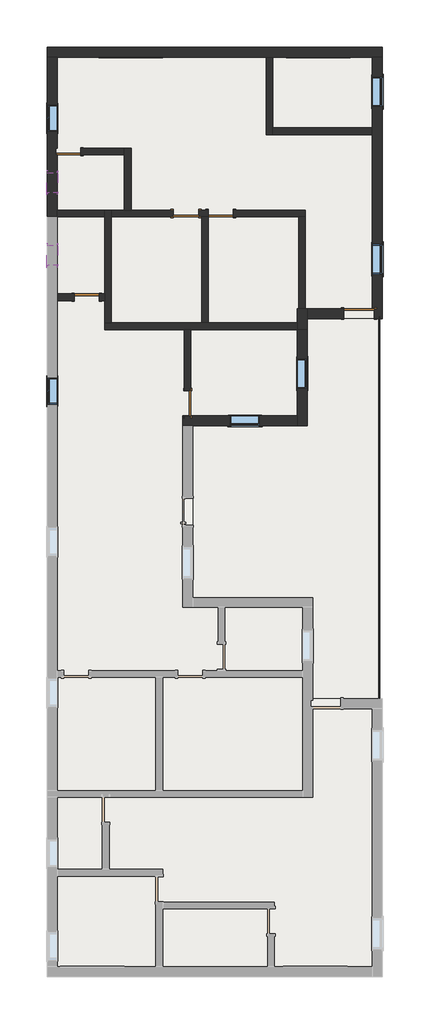
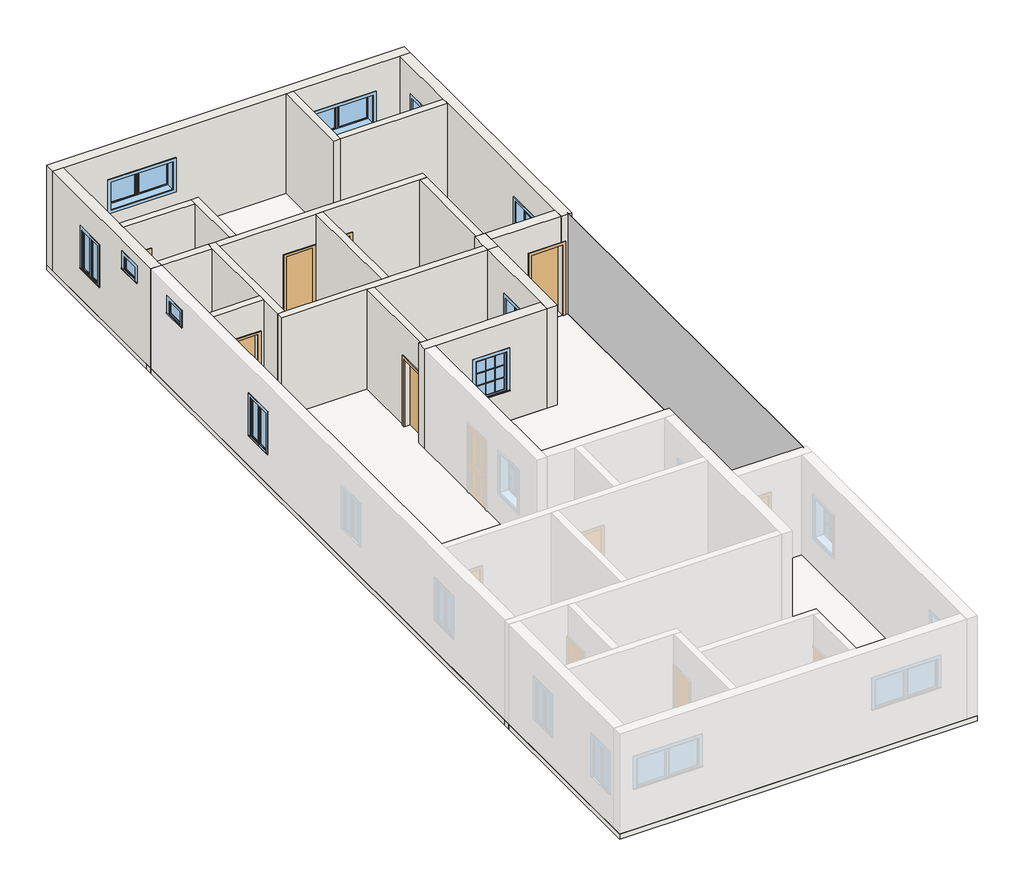
# One storey, part 2 of 2: 19 walls, 10 windows, 6 doors, 5 slabs, 1 plate.
"""IFC4 building model written with IfcOpenShell, lengths in millimetres."""

import ifcopenshell
import ifcopenshell.guid

model = None  # the IFC model being written
_history = None  # IfcOwnerHistory: only IFC2X3 demands one
_inside = {}  # id of a spatial element -> (the spatial element, [elements in it])
_under = {}  # id of a project, library or spatial element -> (it, [spatial elements below it])
_declared = {}  # id of a project -> (the project, [libraries it declares])
_typed = {}  # id of a type object -> (the type object, [elements of that type])
_made_of = {}  # id of a material, layer set ... -> (it, [elements and type objects made of it])


def new_model(schema):
    """Start an empty IFC model of exactly this schema.

    Asked for "IFC4X3", IfcOpenShell would pick the latest addendum, in which some entities
    have other attributes; the version numbers below select the first issue.
    IFC2X3 requires an IfcOwnerHistory on every rooted entity: one is made here for all.
    """
    global model, _history
    if schema == "IFC4X3":
        model = ifcopenshell.file(schema_version=(4, 3, 0, 0))
    else:
        model = ifcopenshell.file(schema=schema)
    _inside.clear()
    _under.clear()
    _declared.clear()
    _typed.clear()
    _made_of.clear()
    _history = None
    if model.schema == "IFC2X3":
        org = make("IfcOrganization", Name="unknown")
        user = make(
            "IfcPersonAndOrganization",
            ThePerson=make("IfcPerson", FamilyName="unknown"),
            TheOrganization=org,
        )
        app = make(
            "IfcApplication",
            ApplicationDeveloper=org,
            Version="unknown",
            ApplicationFullName="unknown",
            ApplicationIdentifier="unknown",
        )
        _history = make(
            "IfcOwnerHistory",
            OwningUser=user,
            OwningApplication=app,
            ChangeAction="ADDED",
            CreationDate=0,
        )
    return model


def make(cls, **values):
    """One entity of the class cls with the attributes given. An attribute that is None is left unset."""
    return model.create_entity(
        cls, **{name: value for name, value in values.items() if value is not None}
    )


def rooted(cls, **values):
    """An entity with a GlobalId (a new one), such as an element, a storey or a relation."""
    return make(cls, GlobalId=ifcopenshell.guid.new(), OwnerHistory=_history, **values)


def si_unit(unit_type, name, prefix=None):
    """IfcSIUnit, for example si_unit("LENGTHUNIT", "METRE", prefix="MILLI")."""
    return make("IfcSIUnit", UnitType=unit_type, Prefix=prefix, Name=name)


def assignment(units):
    """IfcUnitAssignment: the units of a project."""
    return None if units is None else make("IfcUnitAssignment", Units=units)


def point(xyz):
    """IfcCartesianPoint."""
    return None if xyz is None else make("IfcCartesianPoint", Coordinates=xyz)


def direction(xyz):
    """IfcDirection."""
    return None if xyz is None else make("IfcDirection", DirectionRatios=xyz)


def frame(location, z_axis=None, x_axis=None):
    """IfcAxis2Placement3D, a coordinate frame: its origin and axes. An axis left out is left unset."""
    return make(
        "IfcAxis2Placement3D",
        Location=point(location),
        Axis=direction(z_axis),
        RefDirection=direction(x_axis),
    )


def origin():
    """The frame at (0, 0, 0) with its axes left unset."""
    return frame((0.0, 0.0, 0.0))


def origin_with_axes():
    """The frame at (0, 0, 0) with the z axis (0, 0, 1) and the x axis (1, 0, 0) written out."""
    return frame((0.0, 0.0, 0.0), z_axis=(0.0, 0.0, 1.0), x_axis=(1.0, 0.0, 0.0))


def place(relative_to, where):
    """IfcLocalPlacement: puts the frame where relative to a parent placement (None: the world)."""
    return make(
        "IfcLocalPlacement", PlacementRelTo=relative_to, RelativePlacement=where
    )


def context(
    kind, dimensions, precision=None, world=None, true_north=None, identifier=None
):
    """IfcGeometricRepresentationContext, for example the 3D "Model" context."""
    return make(
        "IfcGeometricRepresentationContext",
        ContextIdentifier=identifier,
        ContextType=kind,
        CoordinateSpaceDimension=dimensions,
        Precision=precision,
        WorldCoordinateSystem=world,
        TrueNorth=true_north,
    )


def project(units=None, contexts=None):
    """IfcProject with its units and contexts."""
    return rooted(
        "IfcProject",
        Name="project",
        RepresentationContexts=contexts,
        UnitsInContext=assignment(units),
    )


def spatial(cls, under=None, at=None, **own):
    """A site, building, storey or space (cls), placed at a placement, below another one or the project."""
    s = rooted(cls, ObjectPlacement=at, **own)
    if under is not None:
        _under.setdefault(under.id(), (under, []))[1].append(s)
    return s


def polyline(points):
    """IfcPolyline through the points."""
    return make("IfcPolyline", Points=[point(p) for p in points])


def outline(outer, holes=None, kind="AREA"):
    """IfcArbitraryClosedProfileDef: a profile drawn as a closed curve; with holes, ...WithVoids."""
    if holes is None:
        return make("IfcArbitraryClosedProfileDef", ProfileType=kind, OuterCurve=outer)
    return make(
        "IfcArbitraryProfileDefWithVoids",
        ProfileType=kind,
        OuterCurve=outer,
        InnerCurves=holes,
    )


def extrude(swept, where, along, depth):
    """IfcExtrudedAreaSolid: the profile swept, set in the frame where, extruded along a direction by depth."""
    return make(
        "IfcExtrudedAreaSolid",
        SweptArea=swept,
        Position=where,
        ExtrudedDirection=direction(along),
        Depth=depth,
    )


def faces_of(points, faces, orient=None, outer=None):
    """IfcFace entities. A face is a list of loops; a loop is a list of indices into points, from 0.

    orient and outer hold one flag for each loop. By default every Orientation is true, the
    first loop of a face is its IfcFaceOuterBound and the others are IfcFaceBound.
    """
    made = []
    for i, loops in enumerate(faces):
        bounds = []
        for j, loop in enumerate(loops):
            is_outer = j == 0 if outer is None else outer[i][j]
            bounds.append(
                make(
                    "IfcFaceOuterBound" if is_outer else "IfcFaceBound",
                    Bound=make("IfcPolyLoop", Polygon=[points[k] for k in loop]),
                    Orientation=True if orient is None else orient[i][j],
                )
            )
        made.append(make("IfcFace", Bounds=bounds))
    return made


def faceted_brep(points, faces, orient=None, outer=None, voids=None):
    """IfcFacetedBrep: a solid bounded by flat faces; with voids (closed shells), ...WithVoids."""
    shared = [point(p) for p in points]
    hull = make("IfcClosedShell", CfsFaces=faces_of(shared, faces, orient, outer))
    if voids is None:
        return make("IfcFacetedBrep", Outer=hull)
    return make(
        "IfcFacetedBrepWithVoids",
        Outer=hull,
        Voids=[
            make(cls, CfsFaces=faces_of(shared, fs, o, b)) for cls, fs, o, b in voids
        ],
    )


def shape(context_of_items, identifier, shape_type, items):
    """IfcShapeRepresentation: the items that make up one representation, for example the "Body"."""
    return make(
        "IfcShapeRepresentation",
        ContextOfItems=context_of_items,
        RepresentationIdentifier=identifier,
        RepresentationType=shape_type,
        Items=items,
    )


def source(mapping_origin, context_of_items, identifier, shape_type, items):
    """IfcRepresentationMap: a shape defined once, which mapped items show again and again."""
    return make(
        "IfcRepresentationMap",
        MappingOrigin=mapping_origin,
        MappedRepresentation=shape(context_of_items, identifier, shape_type, items),
    )


def transform(
    local_origin,
    x_axis=None,
    y_axis=None,
    z_axis=None,
    scale=None,
    scale2=None,
    scale3=None,
    uniform=True,
):
    """IfcCartesianTransformationOperator3D, or its non-uniform kind. x_axis, y_axis, z_axis: its Axis1, 2, 3."""
    if uniform:
        return make(
            "IfcCartesianTransformationOperator3D",
            Axis1=direction(x_axis),
            Axis2=direction(y_axis),
            LocalOrigin=point(local_origin),
            Scale=scale,
            Axis3=direction(z_axis),
        )
    return make(
        "IfcCartesianTransformationOperator3DnonUniform",
        Axis1=direction(x_axis),
        Axis2=direction(y_axis),
        LocalOrigin=point(local_origin),
        Scale=scale,
        Axis3=direction(z_axis),
        Scale2=scale2,
        Scale3=scale3,
    )


def mapped(mapping_source, mapping_target):
    """IfcMappedItem: shows the shape of a source again, moved by a transform."""
    return make(
        "IfcMappedItem", MappingSource=mapping_source, MappingTarget=mapping_target
    )


def made_of(thing, what):
    """Note that an element or type object is made of a material, layer set ...; save() writes the relation."""
    if what is not None:
        _made_of.setdefault(what.id(), (what, []))[1].append(thing)
    return thing


def element(
    cls,
    number,
    at=None,
    inside=None,
    cuts=None,
    type_object=None,
    material=None,
    context=None,
    identifier="Body",
    shape_type=None,
    held_by="IfcProductDefinitionShape",
    body=None,
    shapes=None,
    **own,
):
    """One element of the class cls, such as IfcWall. Its Tag is "e" and its number.

    at: its placement. inside: the storey or other place that contains it. cuts: it is an
    opening in that element (IfcRelVoidsElement). A single representation is given by context,
    identifier, shape_type and body (its items); several are given by shapes. held_by: the class
    of the entity that holds the representations. save() writes the other relations.
    """
    e = rooted(cls, Tag="e%d" % number, ObjectPlacement=at, **own)
    if body is not None:
        shapes = [shape(context, identifier, shape_type, body)]
    if shapes is not None:
        e.Representation = make(held_by, Representations=shapes)
    if inside is not None:
        _inside.setdefault(inside.id(), (inside, []))[1].append(e)
    if cuts is not None:
        rooted(
            "IfcRelVoidsElement", RelatingBuildingElement=cuts, RelatedOpeningElement=e
        )
    if type_object is not None:
        _typed.setdefault(type_object.id(), (type_object, []))[1].append(e)
    return made_of(e, material)


def aggregate(whole, parts):
    """IfcRelAggregates: a whole, such as a stair, and the parts it consists of."""
    return rooted("IfcRelAggregates", RelatingObject=whole, RelatedObjects=parts)


def save(model, path):
    """Write the relations noted so far, then the file.

    IfcRelAggregates (storeys below a building ...), IfcRelContainedInSpatialStructure (elements
    in a storey), IfcRelDefinesByType, IfcRelAssociatesMaterial and IfcRelDeclares: one each for
    every whole, place, type object, material and project.
    """
    for whole, parts in _under.values():
        aggregate(whole, parts)
    for where, things in _inside.values():
        rooted(
            "IfcRelContainedInSpatialStructure",
            RelatedElements=things,
            RelatingStructure=where,
        )
    for kind, things in _typed.values():
        rooted("IfcRelDefinesByType", RelatedObjects=things, RelatingType=kind)
    for what, things in _made_of.values():
        rooted("IfcRelAssociatesMaterial", RelatedObjects=things, RelatingMaterial=what)
    for by, libraries in _declared.values():
        rooted("IfcRelDeclares", RelatingContext=by, RelatedDefinitions=libraries)
    model.write(path)


def m_single_flush_0762_x_2032mm_0c256fab(model_context):
    return source(origin(), model_context, "Body", "SweptSolid", [
        extrude(outline(polyline([(2108.0, -457.0), (0.0, -457.0), (0.0, -381.0), (2032.0, -381.0), (2032.0, 381.0), (0.0, 381.0), (0.0, 457.0), (2108.0, 457.0), (2108.0, -457.0)])), frame((0.0, 100.0, 0.0), z_axis=(0.0, 1.0, 0.0), x_axis=(0.0, 0.0, 1.0)), (0.0, 0.0, 1.0), 25.0),
        extrude(outline(polyline([(2108.0, 457.0), (2108.0, -457.0), (0.0, -457.0), (0.0, -381.0), (2032.0, -381.0), (2032.0, 381.0), (0.0, 381.0), (0.0, 457.0), (2108.0, 457.0)])), frame((0.0, -125.0, 0.0), z_axis=(0.0, 1.0, 0.0), x_axis=(0.0, 0.0, 1.0)), (0.0, 0.0, 1.0), 25.0),
        extrude(outline(polyline([(381.0, 49.0), (-381.0, 49.0), (-381.0, 100.0), (381.0, 100.0), (381.0, 49.0)])), origin_with_axes(), (0.0, 0.0, 1.0), 2032.0),
    ])


def m_single_flush_0915_x_2134mm_9cebaac8(model_context):
    return source(origin(), model_context, "Body", "SweptSolid", [
        extrude(outline(polyline([(2210.0, -533.5), (0.0, -533.5), (0.0, -457.5), (2134.0, -457.5), (2134.0, 457.5), (0.0, 457.5), (0.0, 533.5), (2210.0, 533.5), (2210.0, -533.5)])), frame((0.0, 150.0, 0.0), z_axis=(0.0, 1.0, 0.0), x_axis=(0.0, 0.0, 1.0)), (0.0, 0.0, 1.0), 25.0),
        extrude(outline(polyline([(2210.0, 533.5), (2210.0, -533.5), (0.0, -533.5), (0.0, -457.5), (2134.0, -457.5), (2134.0, 457.5), (0.0, 457.5), (0.0, 533.5), (2210.0, 533.5)])), frame((0.0, -175.0, 0.0), z_axis=(0.0, 1.0, 0.0), x_axis=(0.0, 0.0, 1.0)), (0.0, 0.0, 1.0), 25.0),
        extrude(outline(polyline([(457.5, 99.0), (-457.5, 99.0), (-457.5, 150.0), (457.5, 150.0), (457.5, 99.0)])), origin_with_axes(), (0.0, 0.0, 1.0), 2134.0),
    ])


def system_panel_glazed_c7ff2a38(model_context):
    return source(origin(), model_context, "Body", "SweptSolid", [
        extrude(outline(polyline([(5832.55, 24.5), (-5832.55, 24.5), (-5832.55, 49.5), (5832.55, 49.5), (5832.55, 24.5)])), origin_with_axes(), (0.0, 0.0, 1.0), 3000.0),
    ])


def window_05c7c462(model_context):
    return source(origin(), model_context, "Body", "SweptSolid", [
        extrude(outline(polyline([(-527.05, 175.4), (527.05, 175.4), (527.05, 150.0), (-527.05, 150.0), (-527.05, 175.4)])), frame((0.0, 0.0, 914.4), z_axis=(0.0, 0.0, 1.0), x_axis=(1.0, 0.0, 0.0)), (0.0, 0.0, 1.0), 19.05),
        extrude(outline(polyline([(2114.55, -438.15), (2114.55, 438.15), (933.45, 438.15), (933.45, 527.05), (2203.45, 527.05), (2203.45, -527.05), (933.45, -527.05), (933.45, -438.15), (2114.55, -438.15)])), frame((0.0, 150.0, 0.0), z_axis=(0.0, 1.0, 0.0), x_axis=(0.0, 0.0, 1.0)), (0.0, 0.0, 1.0), 12.7),
        extrude(outline(polyline([(143.9333333, 115.075), (393.7, 115.075), (393.7, 102.375), (143.9333333, 102.375), (143.9333333, 115.075)])), frame((0.0, 0.0, 1718.7333333), z_axis=(0.0, 0.0, 1.0), x_axis=(1.0, 0.0, 0.0)), (0.0, 0.0, 1.0), 351.3666667),
        extrude(outline(polyline([(-124.8833333, 115.075), (124.8833333, 115.075), (124.8833333, 102.375), (-124.8833333, 102.375), (-124.8833333, 115.075)])), frame((0.0, 0.0, 1718.7333333), z_axis=(0.0, 0.0, 1.0), x_axis=(1.0, 0.0, 0.0)), (0.0, 0.0, 1.0), 351.3666667),
        extrude(outline(polyline([(-393.7, 115.075), (-143.9333333, 115.075), (-143.9333333, 102.375), (-393.7, 102.375), (-393.7, 115.075)])), frame((0.0, 0.0, 1718.7333333), z_axis=(0.0, 0.0, 1.0), x_axis=(1.0, 0.0, 0.0)), (0.0, 0.0, 1.0), 351.3666667),
        extrude(outline(polyline([(-393.7, 115.075), (-143.9333333, 115.075), (-143.9333333, 102.375), (-393.7, 102.375), (-393.7, 115.075)])), frame((0.0, 0.0, 1348.3166667), z_axis=(0.0, 0.0, 1.0), x_axis=(1.0, 0.0, 0.0)), (0.0, 0.0, 1.0), 351.3666667),
        extrude(outline(polyline([(-124.8833333, 115.075), (124.8833333, 115.075), (124.8833333, 102.375), (-124.8833333, 102.375), (-124.8833333, 115.075)])), frame((0.0, 0.0, 1348.3166667), z_axis=(0.0, 0.0, 1.0), x_axis=(1.0, 0.0, 0.0)), (0.0, 0.0, 1.0), 351.3666667),
        extrude(outline(polyline([(143.9333333, 115.075), (393.7, 115.075), (393.7, 102.375), (143.9333333, 102.375), (143.9333333, 115.075)])), frame((0.0, 0.0, 1348.3166667), z_axis=(0.0, 0.0, 1.0), x_axis=(1.0, 0.0, 0.0)), (0.0, 0.0, 1.0), 351.3666667),
        extrude(outline(polyline([(143.9333333, 115.075), (393.7, 115.075), (393.7, 102.375), (143.9333333, 102.375), (143.9333333, 115.075)])), frame((0.0, 0.0, 977.9), z_axis=(0.0, 0.0, 1.0), x_axis=(1.0, 0.0, 0.0)), (0.0, 0.0, 1.0), 351.3666667),
        extrude(outline(polyline([(-124.8833333, 115.075), (124.8833333, 115.075), (124.8833333, 102.375), (-124.8833333, 102.375), (-124.8833333, 115.075)])), frame((0.0, 0.0, 977.9), z_axis=(0.0, 0.0, 1.0), x_axis=(1.0, 0.0, 0.0)), (0.0, 0.0, 1.0), 351.3666667),
        extrude(outline(polyline([(-393.7, 115.075), (-143.9333333, 115.075), (-143.9333333, 102.375), (-393.7, 102.375), (-393.7, 115.075)])), frame((0.0, 0.0, 977.9), z_axis=(0.0, 0.0, 1.0), x_axis=(1.0, 0.0, 0.0)), (0.0, 0.0, 1.0), 351.3666667),
        extrude(outline(polyline([(2190.75, 514.35), (2190.75, -514.35), (857.25, -514.35), (857.25, 514.35), (2190.75, 514.35)]), holes=[polyline([(2101.85, 425.45), (946.15, 425.45), (946.15, -425.45), (2101.85, -425.45), (2101.85, 425.45)])]), frame((0.0, -169.05, 0.0), z_axis=(0.0, 1.0, 0.0), x_axis=(0.0, 0.0, 1.0)), (0.0, 0.0, 1.0), 19.05),
        extrude(outline(polyline([(2114.55, -438.15), (933.45, -438.15), (933.45, 438.15), (2114.55, 438.15), (2114.55, -438.15)]), holes=[polyline([(2070.1, -143.9333333), (1718.7333333, -143.9333333), (1718.7333333, -393.7), (2070.1, -393.7), (2070.1, -143.9333333)]), polyline([(1699.6833333, -143.9333333), (1348.3166667, -143.9333333), (1348.3166667, -393.7), (1699.6833333, -393.7), (1699.6833333, -143.9333333)]), polyline([(1329.2666667, -143.9333333), (977.9, -143.9333333), (977.9, -393.7), (1329.2666667, -393.7), (1329.2666667, -143.9333333)]), polyline([(2070.1, 124.8833333), (1718.7333333, 124.8833333), (1718.7333333, -124.8833333), (2070.1, -124.8833333), (2070.1, 124.8833333)]), polyline([(1699.6833333, 124.8833333), (1348.3166667, 124.8833333), (1348.3166667, -124.8833333), (1699.6833333, -124.8833333), (1699.6833333, 124.8833333)]), polyline([(1329.2666667, 124.8833333), (977.9, 124.8833333), (977.9, -124.8833333), (1329.2666667, -124.8833333), (1329.2666667, 124.8833333)]), polyline([(2070.1, 393.7), (1718.7333333, 393.7), (1718.7333333, 143.9333333), (2070.1, 143.9333333), (2070.1, 393.7)]), polyline([(1699.6833333, 393.7), (1348.3166667, 393.7), (1348.3166667, 143.9333333), (1699.6833333, 143.9333333), (1699.6833333, 393.7)]), polyline([(1329.2666667, 393.7), (977.9, 393.7), (977.9, 143.9333333), (1329.2666667, 143.9333333), (1329.2666667, 393.7)])]), frame((0.0, 86.5, 0.0), z_axis=(0.0, 1.0, 0.0), x_axis=(0.0, 0.0, 1.0)), (0.0, 0.0, 1.0), 44.45),
        extrude(outline(polyline([(2133.6, -457.2), (914.4, -457.2), (914.4, 457.2), (2133.6, 457.2), (2133.6, -457.2)]), holes=[polyline([(2101.85, -425.45), (2101.85, 425.45), (946.15, 425.45), (946.15, -425.45), (2101.85, -425.45)])]), frame((0.0, -150.0, 0.0), z_axis=(0.0, 1.0, 0.0), x_axis=(0.0, 0.0, 1.0)), (0.0, 0.0, 1.0), 236.5),
        extrude(outline(polyline([(2133.6, 457.2), (2133.6, -457.2), (914.4, -457.2), (914.4, 457.2), (2133.6, 457.2)]), holes=[polyline([(2114.55, 438.15), (933.45, 438.15), (933.45, -438.15), (2114.55, -438.15), (2114.55, 438.15)])]), frame((0.0, 86.5, 0.0), z_axis=(0.0, 1.0, 0.0), x_axis=(0.0, 0.0, 1.0)), (0.0, 0.0, 1.0), 63.5),
    ])


def window_74d245a8(model_context):
    return source(origin(), model_context, "Body", "SweptSolid", [
        extrude(outline(polyline([(63.5, 134.125), (342.9, 134.125), (342.9, 121.425), (63.5, 121.425), (63.5, 134.125)])), frame((0.0, 0.0, 977.9), z_axis=(0.0, 0.0, 1.0), x_axis=(1.0, 0.0, 0.0)), (0.0, 0.0, 1.0), 1092.2),
        extrude(outline(polyline([(2114.55, 19.05), (933.45, 19.05), (933.45, 387.35), (2114.55, 387.35), (2114.55, 19.05)]), holes=[polyline([(2070.1, 63.5), (2070.1, 342.9), (977.9, 342.9), (977.9, 63.5), (2070.1, 63.5)])]), frame((0.0, 105.55, 0.0), z_axis=(0.0, 1.0, 0.0), x_axis=(0.0, 0.0, 1.0)), (0.0, 0.0, 1.0), 44.45),
        extrude(outline(polyline([(19.05, 105.55), (-19.05, 105.55), (-19.05, 169.05), (19.05, 169.05), (19.05, 105.55)])), frame((0.0, 0.0, 933.45), z_axis=(0.0, 0.0, 1.0), x_axis=(1.0, 0.0, 0.0)), (0.0, 0.0, 1.0), 1181.1),
        extrude(outline(polyline([(-476.25, 194.45), (476.25, 194.45), (476.25, 169.05), (-476.25, 169.05), (-476.25, 194.45)])), frame((0.0, 0.0, 914.4), z_axis=(0.0, 0.0, 1.0), x_axis=(1.0, 0.0, 0.0)), (0.0, 0.0, 1.0), 19.05),
        extrude(outline(polyline([(2114.55, -387.35), (2114.55, 387.35), (933.45, 387.35), (933.45, 476.25), (2203.45, 476.25), (2203.45, -476.25), (933.45, -476.25), (933.45, -387.35), (2114.55, -387.35)])), frame((0.0, 169.05, 0.0), z_axis=(0.0, 1.0, 0.0), x_axis=(0.0, 0.0, 1.0)), (0.0, 0.0, 1.0), 12.7),
        extrude(outline(polyline([(2190.75, 463.55), (2190.75, -463.55), (857.25, -463.55), (857.25, 463.55), (2190.75, 463.55)]), holes=[polyline([(2101.85, 374.65), (946.15, 374.65), (946.15, -374.65), (2101.85, -374.65), (2101.85, 374.65)])]), frame((0.0, -150.0, 0.0), z_axis=(0.0, 1.0, 0.0), x_axis=(0.0, 0.0, 1.0)), (0.0, 0.0, 1.0), 19.05),
        extrude(outline(polyline([(-63.5, 121.425), (-342.9, 121.425), (-342.9, 134.125), (-63.5, 134.125), (-63.5, 121.425)])), frame((0.0, 0.0, 977.9), z_axis=(0.0, 0.0, 1.0), x_axis=(1.0, 0.0, 0.0)), (0.0, 0.0, 1.0), 1092.2),
        extrude(outline(polyline([(2114.55, -387.35), (933.45, -387.35), (933.45, -19.05), (2114.55, -19.05), (2114.55, -387.35)]), holes=[polyline([(2070.1, -342.9), (2070.1, -63.5), (977.9, -63.5), (977.9, -342.9), (2070.1, -342.9)])]), frame((0.0, 105.55, 0.0), z_axis=(0.0, 1.0, 0.0), x_axis=(0.0, 0.0, 1.0)), (0.0, 0.0, 1.0), 44.45),
        extrude(outline(polyline([(2133.6, -406.4), (914.4, -406.4), (914.4, 406.4), (2133.6, 406.4), (2133.6, -406.4)]), holes=[polyline([(2101.85, -374.65), (2101.85, 374.65), (946.15, 374.65), (946.15, -374.65), (2101.85, -374.65)])]), frame((0.0, -130.95, 0.0), z_axis=(0.0, 1.0, 0.0), x_axis=(0.0, 0.0, 1.0)), (0.0, 0.0, 1.0), 236.5),
        extrude(outline(polyline([(2133.6, 406.4), (2133.6, -406.4), (914.4, -406.4), (914.4, 406.4), (2133.6, 406.4)]), holes=[polyline([(2114.55, 387.35), (933.45, 387.35), (933.45, -387.35), (2114.55, -387.35), (2114.55, 387.35)])]), frame((0.0, 105.55, 0.0), z_axis=(0.0, 1.0, 0.0), x_axis=(0.0, 0.0, 1.0)), (0.0, 0.0, 1.0), 63.5),
    ])


def window_dad8421a(model_context):
    return source(origin(), model_context, "Body", "SweptSolid", [
        extrude(outline(polyline([(63.5, 134.125), (850.9, 134.125), (850.9, 121.425), (63.5, 121.425), (63.5, 134.125)])), frame((0.0, 0.0, 1282.7), z_axis=(0.0, 0.0, 1.0), x_axis=(1.0, 0.0, 0.0)), (0.0, 0.0, 1.0), 787.4),
        extrude(outline(polyline([(2114.55, 19.05), (1238.25, 19.05), (1238.25, 895.35), (2114.55, 895.35), (2114.55, 19.05)]), holes=[polyline([(2070.1, 63.5), (2070.1, 850.9), (1282.7, 850.9), (1282.7, 63.5), (2070.1, 63.5)])]), frame((0.0, 105.55, 0.0), z_axis=(0.0, 1.0, 0.0), x_axis=(0.0, 0.0, 1.0)), (0.0, 0.0, 1.0), 44.45),
        extrude(outline(polyline([(19.05, 105.55), (-19.05, 105.55), (-19.05, 169.05), (19.05, 169.05), (19.05, 105.55)])), frame((0.0, 0.0, 1238.25), z_axis=(0.0, 0.0, 1.0), x_axis=(1.0, 0.0, 0.0)), (0.0, 0.0, 1.0), 876.3),
        extrude(outline(polyline([(-984.25, 194.45), (984.25, 194.45), (984.25, 169.05), (-984.25, 169.05), (-984.25, 194.45)])), frame((0.0, 0.0, 1219.2), z_axis=(0.0, 0.0, 1.0), x_axis=(1.0, 0.0, 0.0)), (0.0, 0.0, 1.0), 19.05),
        extrude(outline(polyline([(2114.55, -895.35), (2114.55, 895.35), (1238.25, 895.35), (1238.25, 984.25), (2203.45, 984.25), (2203.45, -984.25), (1238.25, -984.25), (1238.25, -895.35), (2114.55, -895.35)])), frame((0.0, 169.05, 0.0), z_axis=(0.0, 1.0, 0.0), x_axis=(0.0, 0.0, 1.0)), (0.0, 0.0, 1.0), 12.7),
        extrude(outline(polyline([(2190.75, 971.55), (2190.75, -971.55), (1162.05, -971.55), (1162.05, 971.55), (2190.75, 971.55)]), holes=[polyline([(2101.85, 882.65), (1250.95, 882.65), (1250.95, -882.65), (2101.85, -882.65), (2101.85, 882.65)])]), frame((0.0, -150.0, 0.0), z_axis=(0.0, 1.0, 0.0), x_axis=(0.0, 0.0, 1.0)), (0.0, 0.0, 1.0), 19.05),
        extrude(outline(polyline([(-63.5, 121.425), (-850.9, 121.425), (-850.9, 134.125), (-63.5, 134.125), (-63.5, 121.425)])), frame((0.0, 0.0, 1282.7), z_axis=(0.0, 0.0, 1.0), x_axis=(1.0, 0.0, 0.0)), (0.0, 0.0, 1.0), 787.4),
        extrude(outline(polyline([(2114.55, -895.35), (1238.25, -895.35), (1238.25, -19.05), (2114.55, -19.05), (2114.55, -895.35)]), holes=[polyline([(2070.1, -850.9), (2070.1, -63.5), (1282.7, -63.5), (1282.7, -850.9), (2070.1, -850.9)])]), frame((0.0, 105.55, 0.0), z_axis=(0.0, 1.0, 0.0), x_axis=(0.0, 0.0, 1.0)), (0.0, 0.0, 1.0), 44.45),
        extrude(outline(polyline([(2133.6, -914.4), (1219.2, -914.4), (1219.2, 914.4), (2133.6, 914.4), (2133.6, -914.4)]), holes=[polyline([(2101.85, -882.65), (2101.85, 882.65), (1250.95, 882.65), (1250.95, -882.65), (2101.85, -882.65)])]), frame((0.0, -130.95, 0.0), z_axis=(0.0, 1.0, 0.0), x_axis=(0.0, 0.0, 1.0)), (0.0, 0.0, 1.0), 236.5),
        extrude(outline(polyline([(2133.6, 914.4), (2133.6, -914.4), (1219.2, -914.4), (1219.2, 914.4), (2133.6, 914.4)]), holes=[polyline([(2114.55, 895.35), (1238.25, 895.35), (1238.25, -895.35), (2114.55, -895.35), (2114.55, 895.35)])]), frame((0.0, 105.55, 0.0), z_axis=(0.0, 1.0, 0.0), x_axis=(0.0, 0.0, 1.0)), (0.0, 0.0, 1.0), 63.5),
    ])


def window_4d66f070(model_context):
    return source(origin(), model_context, "Body", "SweptSolid", [
        extrude(outline(polyline([(-412.75, 175.4), (336.55, 175.4), (336.55, 150.0), (-412.75, 150.0), (-412.75, 175.4)])), frame((0.0, 0.0, 2159.0), z_axis=(0.0, 0.0, 1.0), x_axis=(1.0, 0.0, 0.0)), (0.0, 0.0, 1.0), 19.05),
        extrude(outline(polyline([(2597.15, -323.85), (2597.15, 247.65), (2178.05, 247.65), (2178.05, 336.55), (2686.05, 336.55), (2686.05, -412.75), (2178.05, -412.75), (2178.05, -323.85), (2597.15, -323.85)])), frame((0.0, 150.0, 0.0), z_axis=(0.0, 1.0, 0.0), x_axis=(0.0, 0.0, 1.0)), (0.0, 0.0, 1.0), 12.7),
        extrude(outline(polyline([(2673.35, 323.85), (2673.35, -400.05), (2101.85, -400.05), (2101.85, 323.85), (2673.35, 323.85)]), holes=[polyline([(2584.45, 234.95), (2190.75, 234.95), (2190.75, -311.15), (2584.45, -311.15), (2584.45, 234.95)])]), frame((0.0, -169.05, 0.0), z_axis=(0.0, 1.0, 0.0), x_axis=(0.0, 0.0, 1.0)), (0.0, 0.0, 1.0), 19.05),
        extrude(outline(polyline([(203.2, 102.375), (-279.4, 102.375), (-279.4, 115.075), (203.2, 115.075), (203.2, 102.375)])), frame((0.0, 0.0, 2222.5), z_axis=(0.0, 0.0, 1.0), x_axis=(1.0, 0.0, 0.0)), (0.0, 0.0, 1.0), 330.2),
        extrude(outline(polyline([(2597.15, -323.85), (2178.05, -323.85), (2178.05, 247.65), (2597.15, 247.65), (2597.15, -323.85)]), holes=[polyline([(2552.7, -279.4), (2552.7, 203.2), (2222.5, 203.2), (2222.5, -279.4), (2552.7, -279.4)])]), frame((0.0, 86.5, 0.0), z_axis=(0.0, 1.0, 0.0), x_axis=(0.0, 0.0, 1.0)), (0.0, 0.0, 1.0), 44.45),
        extrude(outline(polyline([(2616.2, -342.9), (2159.0, -342.9), (2159.0, 266.7), (2616.2, 266.7), (2616.2, -342.9)]), holes=[polyline([(2584.45, -311.15), (2584.45, 234.95), (2190.75, 234.95), (2190.75, -311.15), (2584.45, -311.15)])]), frame((0.0, -150.0, 0.0), z_axis=(0.0, 1.0, 0.0), x_axis=(0.0, 0.0, 1.0)), (0.0, 0.0, 1.0), 236.5),
        extrude(outline(polyline([(2616.2, 266.7), (2616.2, -342.9), (2159.0, -342.9), (2159.0, 266.7), (2616.2, 266.7)]), holes=[polyline([(2597.15, 247.65), (2178.05, 247.65), (2178.05, -323.85), (2597.15, -323.85), (2597.15, 247.65)])]), frame((0.0, 86.5, 0.0), z_axis=(0.0, 1.0, 0.0), x_axis=(0.0, 0.0, 1.0)), (0.0, 0.0, 1.0), 63.5),
    ])


model = new_model("IFC4")

# Units and contexts
model_context = context("Model", 3, world=origin())
ifc_project = project(units=[si_unit("LENGTHUNIT", "METRE", prefix="MILLI")], contexts=[model_context])

# Site, building, storey
site = spatial("IfcSite", under=ifc_project)
building = spatial("IfcBuilding", under=site)
storey = spatial("IfcBuildingStorey", under=building, Elevation=21000.0)

# Doors
placement = place(None, origin())
m_single_flush_0762_x_2032mm_shape = m_single_flush_0762_x_2032mm_0c256fab(model_context)
element("IfcDoor", 1, ObjectType="M_Single-Flush : 0762 x 2032mm", at=placement, inside=storey, context=model_context, shape_type="MappedRepresentation", body=[
    mapped(m_single_flush_0762_x_2032mm_shape, transform((-24236.876071, 6775.8697374, 21000.0), x_axis=(-1.0, 0.0, 0.0), y_axis=(0.0, -1.0, 0.0), z_axis=(0.0, 0.0, 1.0))),
])
element("IfcDoor", 2, ObjectType="M_Single-Flush : 0762 x 2032mm", at=placement, inside=storey, context=model_context, shape_type="MappedRepresentation", body=[
    mapped(m_single_flush_0762_x_2032mm_shape, transform((-23174.876071, 6775.8697374, 21000.0), x_axis=(-1.0, 0.0, 0.0), y_axis=(0.0, -1.0, 0.0), z_axis=(0.0, 0.0, 1.0))),
])
element("IfcDoor", 3, ObjectType="M_Single-Flush : 0762 x 2032mm", at=placement, inside=storey, context=model_context, shape_type="MappedRepresentation", body=[
    mapped(m_single_flush_0762_x_2032mm_shape, transform((-24184.626071, 996.7697374, 21000.0), x_axis=(0.0, -1.0, 0.0), y_axis=(1.0, 0.0, 0.0), z_axis=(0.0, 0.0, 1.0))),
])
element("IfcDoor", 4, ObjectType="M_Single-Flush : 0762 x 2032mm", at=placement, inside=storey, context=model_context, shape_type="MappedRepresentation", body=[
    mapped(m_single_flush_0762_x_2032mm_shape, transform((-27261.5981876, 4227.4697374, 21000.0), x_axis=(1.0, 0.0, 0.0), y_axis=(0.0, 1.0, 0.0), z_axis=(0.0, 0.0, 1.0))),
])
element("IfcDoor", 5, ObjectType="M_Single-Flush : 0762 x 2032mm", at=placement, inside=storey, context=model_context, shape_type="MappedRepresentation", body=[
    mapped(m_single_flush_0762_x_2032mm_shape, transform((-27821.926071, 8653.7642039, 21000.0), x_axis=(-1.0, 0.0, 0.0), y_axis=(0.0, -1.0, 0.0), z_axis=(0.0, 0.0, 1.0))),
])
m_single_flush_0915_x_2134mm_shape = m_single_flush_0915_x_2134mm_9cebaac8(model_context)
element("IfcDoor", 6, ObjectType="M_Single-Flush : 0915 x 2134mm", at=placement, inside=storey, context=model_context, shape_type="MappedRepresentation", body=[
    mapped(m_single_flush_0915_x_2134mm_shape, transform((-18973.826071, 3727.4697374, 21000.0), x_axis=(1.0, 0.0, 0.0), y_axis=(0.0, 1.0, 0.0), z_axis=(0.0, 0.0, 1.0))),
])

# Plate
system_panel_glazed_shape = system_panel_glazed_c7ff2a38(model_context)
element("IfcPlate", 7, ObjectType="System Panel : Glazed", at=placement, inside=storey, context=model_context, shape_type="MappedRepresentation", body=[
    mapped(system_panel_glazed_shape, transform((-18316.326071, -2205.0802626, 21000.0), x_axis=(0.0, 1.0, 0.0), y_axis=(-1.0, 0.0, 0.0), z_axis=(0.0, 0.0, 1.0))),
])

# Slabs
element("IfcSlab", 8, ObjectType="Generic 150mm", at=placement, inside=storey, context=model_context, shape_type="SweptSolid", body=[
    extrude(outline(polyline([(-18266.326071, 11826.8697374), (-18266.326071, 3577.4697374), (-20552.826071, 3577.4697374), (-20552.826071, 3243.2697374), (-26708.926071, 3243.2697374), (-26708.926071, 6675.8697374), (-28452.926071, 6675.8697374), (-28452.926071, 11826.8697374), (-18266.326071, 11826.8697374)])), frame((0.0, 0.0, 20850.0), z_axis=(0.0, 0.0, 1.0), x_axis=(1.0, 0.0, 0.0)), (0.0, 0.0, 1.0), 150.0),
])
element("IfcSlab", 9, ObjectType="Generic 150mm", at=placement, inside=storey, context=model_context, shape_type="SweptSolid", body=[
    extrude(outline(polyline([(-18266.326071, 11826.8697374), (-18266.326071, 3577.4697374), (-20552.826071, 3577.4697374), (-20552.826071, 3243.2697374), (-26708.926071, 3243.2697374), (-26708.926071, 6675.8697374), (-28452.926071, 6675.8697374), (-28452.926071, 11826.8697374), (-18266.326071, 11826.8697374)])), frame((0.0, 0.0, 20850.0), z_axis=(0.0, 0.0, 1.0), x_axis=(1.0, 0.0, 0.0)), (0.0, 0.0, 1.0), 150.0),
])
element("IfcSlab", 10, ObjectType="Generic 150mm", at=placement, inside=storey, context=model_context, shape_type="SweptSolid", body=[
    extrude(outline(polyline([(-28452.926071, 6875.8697374), (-26508.926071, 6875.8697374), (-26508.926071, 3443.2697374), (-20552.826071, 3443.2697374), (-20552.826071, 314.9697374), (-24034.626071, 314.9697374), (-24034.626071, -4908.4302626), (-20387.926071, -4908.4302626), (-20387.926071, -10978.2302626), (-28452.926071, -10978.2302626), (-28452.926071, 6875.8697374)])), frame((0.0, 0.0, 20850.0), z_axis=(0.0, 0.0, 1.0), x_axis=(1.0, 0.0, 0.0)), (0.0, 0.0, 1.0), 150.0),
])
element("IfcSlab", 11, ObjectType="Generic 150mm", at=placement, inside=storey, context=model_context, shape_type="SweptSolid", body=[
    extrude(outline(polyline([(-18266.326071, -7987.6302626), (-18266.326071, -16438.2302626), (-28452.926071, -16438.2302626), (-28452.926071, -10778.2302626), (-20687.926071, -10778.2302626), (-20687.926071, -7987.6302626), (-18266.326071, -7987.6302626)])), frame((0.0, 0.0, 20850.0), z_axis=(0.0, 0.0, 1.0), x_axis=(1.0, 0.0, 0.0)), (0.0, 0.0, 1.0), 150.0),
])
element("IfcSlab", 12, ObjectType="Generic 150mm", at=placement, inside=storey, context=model_context, shape_type="SweptSolid", body=[
    extrude(outline(polyline([(-18391.826071, 3577.4697374), (-18391.826071, -7987.6302626), (-20387.926071, -7987.6302626), (-20387.926071, -4908.4302626), (-24034.626071, -4908.4302626), (-24034.626071, 314.9697374), (-20552.826071, 314.9697374), (-20552.826071, 3577.4697374), (-18391.826071, 3577.4697374)])), frame((0.0, 0.0, 20850.0), z_axis=(0.0, 0.0, 1.0), x_axis=(1.0, 0.0, 0.0)), (0.0, 0.0, 1.0), 150.0),
])

# Walls
element("IfcWall", 13, ObjectType="Generic - 200mm", at=placement, inside=storey, context=model_context, shape_type="Brep", body=[
    faceted_brep([(-20852.826071, 3443.2697374, 21000.0), (-23555.876071, 3443.2697374, 21000.0), (-23755.876071, 3443.2697374, 21000.0), (-26508.926071, 3443.2697374, 21000.0), (-26708.926071, 3443.2697374, 21000.0), (-26708.926071, 3443.2697374, 24000.0), (-26508.926071, 3443.2697374, 24000.0), (-23755.876071, 3443.2697374, 24000.0), (-23555.876071, 3443.2697374, 24000.0), (-20852.826071, 3443.2697374, 24000.0), (-20852.826071, 3243.2697374, 21000.0), (-20852.826071, 3243.2697374, 24000.0), (-24084.626071, 3243.2697374, 24000.0), (-24284.626071, 3243.2697374, 24000.0), (-26708.926071, 3243.2697374, 24000.0), (-26708.926071, 3243.2697374, 21000.0), (-24284.626071, 3243.2697374, 21000.0), (-24084.626071, 3243.2697374, 21000.0)], [[[0, 1, 2, 3, 4, 5, 6, 7, 8, 9]], [[10, 11, 12, 13, 14, 15, 16, 17]], [[4, 3, 2, 1, 0, 10, 17, 16, 15]], [[9, 8, 7, 6, 5, 14, 13, 12, 11]], [[0, 9, 11, 10]], [[5, 4, 15, 14]]]),
])
element("IfcWall", 14, ObjectType="Generic - 200mm", at=placement, inside=storey, context=model_context, shape_type="Brep", body=[
    faceted_brep([(-26508.926071, 3443.2697374, 21000.0), (-26508.926071, 6675.8697374, 21000.0), (-26508.926071, 6875.8697374, 21000.0), (-26508.926071, 6875.8697374, 24000.0), (-26508.926071, 6675.8697374, 24000.0), (-26508.926071, 3443.2697374, 24000.0), (-26708.926071, 3443.2697374, 21000.0), (-26708.926071, 3443.2697374, 24000.0), (-26708.926071, 4127.4697374, 24000.0), (-26708.926071, 4327.4697374, 24000.0), (-26708.926071, 6675.8697374, 24000.0), (-26708.926071, 6875.8697374, 24000.0), (-26708.926071, 6875.8697374, 21000.0), (-26708.926071, 6675.8697374, 21000.0), (-26708.926071, 4327.4697374, 21000.0), (-26708.926071, 4127.4697374, 21000.0)], [[[0, 1, 2, 3, 4, 5]], [[6, 7, 8, 9, 10, 11, 12, 13, 14, 15]], [[2, 1, 0, 6, 15, 14, 13, 12]], [[5, 4, 3, 11, 10, 9, 8, 7]], [[0, 5, 7, 6]], [[3, 2, 12, 11]]]),
])
element("IfcWall", 15, ObjectType="Generic - 200mm", at=placement, inside=storey, context=model_context, shape_type="SweptSolid", body=[
    extrude(outline(polyline([(-28152.926071, 6875.8697374), (-26708.926071, 6875.8697374), (-26708.926071, 6675.8697374), (-28152.926071, 6675.8697374), (-28152.926071, 6875.8697374)])), frame((0.0, 0.0, 21000.0), z_axis=(0.0, 0.0, 1.0), x_axis=(1.0, 0.0, 0.0)), (0.0, 0.0, 1.0), 3000.0),
])
element("IfcWall", 16, ObjectType="Generic - 200mm", at=placement, inside=storey, context=model_context, shape_type="Brep", body=[
    faceted_brep([(-23855.876071, 6675.8697374, 21000.0), (-23755.876071, 6675.8697374, 21000.0), (-23555.876071, 6675.8697374, 21000.0), (-23555.876071, 6675.8697374, 23032.0), (-22793.876071, 6675.8697374, 23032.0), (-22793.876071, 6675.8697374, 21000.0), (-20802.826071, 6675.8697374, 21000.0), (-20602.826071, 6675.8697374, 21000.0), (-20602.826071, 6675.8697374, 24000.0), (-20802.826071, 6675.8697374, 24000.0), (-23555.876071, 6675.8697374, 24000.0), (-23755.876071, 6675.8697374, 24000.0), (-26508.926071, 6675.8697374, 24000.0), (-26508.926071, 6675.8697374, 21000.0), (-24617.876071, 6675.8697374, 21000.0), (-24617.876071, 6675.8697374, 23032.0), (-23855.876071, 6675.8697374, 23032.0), (-23555.876071, 6875.8697374, 23032.0), (-23555.876071, 6875.8697374, 21000.0), (-23855.876071, 6875.8697374, 21000.0), (-23855.876071, 6875.8697374, 23032.0), (-24617.876071, 6875.8697374, 23032.0), (-24617.876071, 6875.8697374, 21000.0), (-25908.926071, 6875.8697374, 21000.0), (-26108.926071, 6875.8697374, 21000.0), (-26508.926071, 6875.8697374, 21000.0), (-26508.926071, 6875.8697374, 24000.0), (-26108.926071, 6875.8697374, 24000.0), (-25908.926071, 6875.8697374, 24000.0), (-20602.826071, 6875.8697374, 24000.0), (-20602.826071, 6875.8697374, 21000.0), (-22793.876071, 6875.8697374, 21000.0), (-22793.876071, 6875.8697374, 23032.0)], [[[0, 1, 2, 3, 4, 5, 6, 7, 8, 9, 10, 11, 12, 13, 14, 15, 16]], [[17, 18, 19, 20, 21, 22, 23, 24, 25, 26, 27, 28, 29, 30, 31, 32]], [[25, 24, 23, 22, 14, 13]], [[31, 30, 7, 6, 5]], [[19, 18, 2, 1, 0]], [[12, 11, 10, 9, 8, 29, 28, 27, 26]], [[13, 12, 26, 25]], [[8, 7, 30, 29]], [[15, 14, 22, 21]], [[16, 15, 21, 20]], [[0, 16, 20, 19]], [[3, 2, 18, 17]], [[4, 3, 17, 32]], [[5, 4, 32, 31]]]),
])
element("IfcWall", 17, ObjectType="Generic - 200mm", at=placement, inside=storey, context=model_context, shape_type="SweptSolid", body=[
    extrude(outline(polyline([(-20802.826071, 3877.4697374), (-20802.826071, 6675.8697374), (-20602.826071, 6675.8697374), (-20602.826071, 3877.4697374), (-20802.826071, 3877.4697374)])), frame((0.0, 0.0, 21000.0), z_axis=(0.0, 0.0, 1.0), x_axis=(1.0, 0.0, 0.0)), (0.0, 0.0, 1.0), 3000.0),
])
element("IfcWall", 18, ObjectType="Generic - 200mm", at=placement, inside=storey, context=model_context, shape_type="Brep", body=[
    faceted_brep([(-23555.876071, 3443.2697374, 21000.0), (-23555.876071, 6675.8697374, 21000.0), (-23555.876071, 6675.8697374, 23032.0), (-23555.876071, 6675.8697374, 24000.0), (-23555.876071, 3443.2697374, 24000.0), (-23755.876071, 3443.2697374, 21000.0), (-23755.876071, 3443.2697374, 24000.0), (-23755.876071, 6675.8697374, 24000.0), (-23755.876071, 6675.8697374, 21000.0)], [[[0, 1, 2, 3, 4]], [[5, 6, 7, 8]], [[1, 0, 5, 8]], [[4, 3, 7, 6]], [[0, 4, 6, 5]], [[3, 2, 1, 8, 7]]]),
])
element("IfcWall", 19, ObjectType="Generic - 200mm", at=placement, inside=storey, context=model_context, shape_type="SweptSolid", body=[
    extrude(outline(polyline([(614.9697374, 24000.0), (3243.2697374, 24000.0), (3243.2697374, 21000.0), (1377.7697374, 21000.0), (1377.7697374, 23032.0), (615.7697374, 23032.0), (615.7697374, 21000.0), (614.9697374, 21000.0), (614.9697374, 24000.0)])), frame((-24284.626071, 0.0, 0.0), z_axis=(1.0, 0.0, 0.0), x_axis=(0.0, 1.0, 0.0)), (0.0, 0.0, 1.0), 200.0),
])
element("IfcWall", 20, ObjectType="Generic - 200mm", at=placement, inside=storey, context=model_context, shape_type="SweptSolid", body=[
    extrude(outline(polyline([(23032.0, -26880.5981876), (21000.0, -26880.5981876), (21000.0, -26708.926071), (24000.0, -26708.926071), (24000.0, -28152.926071), (21000.0, -28152.926071), (21000.0, -27642.5981876), (23032.0, -27642.5981876), (23032.0, -26880.5981876)])), frame((0.0, 4127.4697374, 0.0), z_axis=(0.0, 1.0, 0.0), x_axis=(0.0, 0.0, 1.0)), (0.0, 0.0, 1.0), 200.0),
])
element("IfcWall", 21, ObjectType="Generic - 200mm", at=placement, inside=storey, context=model_context, shape_type="Brep", body=[
    faceted_brep([(-21802.826071, 11526.8697374, 21000.0), (-21802.826071, 9176.8697374, 21000.0), (-21802.826071, 9176.8697374, 24000.0), (-21802.826071, 11526.8697374, 24000.0), (-21602.826071, 11526.8697374, 21000.0), (-21602.826071, 11526.8697374, 24000.0), (-21602.826071, 9376.8697374, 24000.0), (-21602.826071, 9176.8697374, 24000.0), (-21602.826071, 9176.8697374, 21000.0), (-21602.826071, 9376.8697374, 21000.0)], [[[0, 1, 2, 3]], [[4, 5, 6, 7, 8, 9]], [[1, 0, 4, 9, 8]], [[3, 2, 7, 6, 5]], [[0, 3, 5, 4]], [[2, 1, 8, 7]]]),
])
element("IfcWall", 22, ObjectType="Generic - 200mm", at=placement, inside=storey, context=model_context, shape_type="SweptSolid", body=[
    extrude(outline(polyline([(-18566.326071, 9176.8697374), (-21602.826071, 9176.8697374), (-21602.826071, 9376.8697374), (-18566.326071, 9376.8697374), (-18566.326071, 9176.8697374)])), frame((0.0, 0.0, 21000.0), z_axis=(0.0, 0.0, 1.0), x_axis=(1.0, 0.0, 0.0)), (0.0, 0.0, 1.0), 3000.0),
])
element("IfcWall", 23, ObjectType="Generic - 200mm", at=placement, inside=storey, context=model_context, shape_type="Brep", body=[
    faceted_brep([(-25908.926071, 6875.8697374, 21000.0), (-25908.926071, 8753.7642039, 21000.0), (-25908.926071, 8753.7642039, 24000.0), (-25908.926071, 6875.8697374, 24000.0), (-26108.926071, 6875.8697374, 21000.0), (-26108.926071, 6875.8697374, 24000.0), (-26108.926071, 8553.7642039, 24000.0), (-26108.926071, 8753.7642039, 24000.0), (-26108.926071, 8753.7642039, 21000.0), (-26108.926071, 8553.7642039, 21000.0)], [[[0, 1, 2, 3]], [[4, 5, 6, 7, 8, 9]], [[1, 0, 4, 9, 8]], [[3, 2, 7, 6, 5]], [[0, 3, 5, 4]], [[2, 1, 8, 7]]]),
])
element("IfcWall", 24, ObjectType="Generic - 200mm", at=placement, inside=storey, context=model_context, shape_type="SweptSolid", body=[
    extrude(outline(polyline([(24000.0, -26108.926071), (24000.0, -28152.926071), (23032.0, -28152.926071), (23032.0, -27440.926071), (21000.0, -27440.926071), (21000.0, -26108.926071), (24000.0, -26108.926071)])), frame((0.0, 8553.7642039, 0.0), z_axis=(0.0, 1.0, 0.0), x_axis=(0.0, 0.0, 1.0)), (0.0, 0.0, 1.0), 200.0),
])
element("IfcWall", 25, ObjectType="Generic - 300mm", at=placement, inside=storey, context=model_context, shape_type="Brep", body=[
    faceted_brep([(-28452.926071, 11526.8697374, 21000.0), (-28152.926071, 11526.8697374, 21000.0), (-21802.826071, 11526.8697374, 21000.0), (-21602.826071, 11526.8697374, 21000.0), (-18566.326071, 11526.8697374, 21000.0), (-18266.326071, 11526.8697374, 21000.0), (-18266.326071, 11526.8697374, 24000.0), (-18566.326071, 11526.8697374, 24000.0), (-21602.826071, 11526.8697374, 24000.0), (-21802.826071, 11526.8697374, 24000.0), (-28152.926071, 11526.8697374, 24000.0), (-28452.926071, 11526.8697374, 24000.0), (-25004.276071, 11526.8697374, 23133.6), (-25004.276071, 11526.8697374, 22219.2), (-26833.076071, 11526.8697374, 22219.2), (-26833.076071, 11526.8697374, 23133.6), (-19304.176071, 11526.8697374, 23133.6), (-19304.176071, 11526.8697374, 22219.2), (-21132.976071, 11526.8697374, 22219.2), (-21132.976071, 11526.8697374, 23133.6), (-28452.926071, 11826.8697374, 21000.0), (-28452.926071, 11826.8697374, 24000.0), (-18266.326071, 11826.8697374, 24000.0), (-18266.326071, 11826.8697374, 21000.0), (-25004.276071, 11826.8697374, 23133.6), (-26833.076071, 11826.8697374, 23133.6), (-26833.076071, 11826.8697374, 22219.2), (-25004.276071, 11826.8697374, 22219.2), (-19304.176071, 11826.8697374, 23133.6), (-21132.976071, 11826.8697374, 23133.6), (-21132.976071, 11826.8697374, 22219.2), (-19304.176071, 11826.8697374, 22219.2)], [[[0, 1, 2, 3, 4, 5, 6, 7, 8, 9, 10, 11], [12, 13, 14, 15], [16, 17, 18, 19]], [[20, 21, 22, 23], [24, 25, 26, 27], [28, 29, 30, 31]], [[5, 4, 3, 2, 1, 0, 20, 23]], [[11, 10, 9, 8, 7, 6, 22, 21]], [[6, 5, 23, 22]], [[0, 11, 21, 20]], [[13, 12, 24, 27]], [[14, 13, 27, 26]], [[15, 14, 26, 25]], [[12, 15, 25, 24]], [[17, 16, 28, 31]], [[18, 17, 31, 30]], [[19, 18, 30, 29]], [[16, 19, 29, 28]]]),
])
element("IfcWall", 26, ObjectType="Generic - 300mm", at=placement, inside=storey, context=model_context, shape_type="Brep", body=[
    faceted_brep([(-18566.326071, 3577.4697374, 24000.0), (-18566.326071, 3877.4697374, 24000.0), (-18566.326071, 9176.8697374, 24000.0), (-18566.326071, 9376.8697374, 24000.0), (-18566.326071, 11526.8697374, 24000.0), (-18566.326071, 11526.8697374, 21000.0), (-18566.326071, 9376.8697374, 21000.0), (-18566.326071, 9176.8697374, 21000.0), (-18566.326071, 3877.4697374, 21000.0), (-18566.326071, 3877.4697374, 23134.0), (-18566.326071, 3577.4697374, 23134.0), (-18566.326071, 10019.6697374, 23133.6), (-18566.326071, 10019.6697374, 21914.4), (-18566.326071, 10934.0697374, 21914.4), (-18566.326071, 10934.0697374, 23133.6), (-18566.326071, 4927.4697374, 23133.6), (-18566.326071, 4927.4697374, 21914.4), (-18566.326071, 5841.8697374, 21914.4), (-18566.326071, 5841.8697374, 23133.6), (-18266.326071, 3577.4697374, 21000.0), (-18266.326071, 11526.8697374, 21000.0), (-18266.326071, 11526.8697374, 24000.0), (-18266.326071, 3577.4697374, 24000.0), (-18266.326071, 10019.6697374, 21914.4), (-18266.326071, 10019.6697374, 23133.6), (-18266.326071, 10934.0697374, 23133.6), (-18266.326071, 10934.0697374, 21914.4), (-18266.326071, 4927.4697374, 21914.4), (-18266.326071, 4927.4697374, 23133.6), (-18266.326071, 5841.8697374, 23133.6), (-18266.326071, 5841.8697374, 21914.4), (-18516.326071, 3577.4697374, 21000.0), (-18516.326071, 3877.4697374, 21000.0), (-18516.326071, 3577.4697374, 23134.0), (-18516.326071, 3877.4697374, 23134.0)], [[[0, 1, 2, 3, 4, 5, 6, 7, 8, 9, 10], [11, 12, 13, 14], [15, 16, 17, 18]], [[19, 20, 21, 22], [23, 24, 25, 26], [27, 28, 29, 30]], [[20, 19, 31, 32, 8, 7, 6, 5]], [[4, 3, 2, 1, 0, 22, 21]], [[5, 4, 21, 20]], [[19, 22, 0, 10, 33, 31]], [[32, 34, 9, 8]], [[34, 32, 31, 33]], [[34, 33, 10, 9]], [[12, 11, 24, 23]], [[13, 12, 23, 26]], [[14, 13, 26, 25]], [[11, 14, 25, 24]], [[16, 15, 28, 27]], [[17, 16, 27, 30]], [[18, 17, 30, 29]], [[15, 18, 29, 28]]]),
])
element("IfcWall", 27, ObjectType="Generic - 300mm", at=placement, inside=storey, context=model_context, shape_type="SweptSolid", body=[
    extrude(outline(polyline([(24000.0, -18566.326071), (24000.0, -20552.826071), (21000.0, -20552.826071), (21000.0, -19431.326071), (23134.0, -19431.326071), (23134.0, -18566.326071), (24000.0, -18566.326071)])), frame((0.0, 3577.4697374, 0.0), z_axis=(0.0, 1.0, 0.0), x_axis=(0.0, 0.0, 1.0)), (0.0, 0.0, 1.0), 300.0),
])
element("IfcWall", 28, ObjectType="Generic - 300mm", at=placement, inside=storey, context=model_context, shape_type="Brep", body=[
    faceted_brep([(-20852.826071, 3877.4697374, 21000.0), (-20852.826071, 3443.2697374, 21000.0), (-20852.826071, 3243.2697374, 21000.0), (-20852.826071, 3243.2697374, 24000.0), (-20852.826071, 3443.2697374, 24000.0), (-20852.826071, 3877.4697374, 24000.0), (-20552.826071, 3877.4697374, 21000.0), (-20552.826071, 3877.4697374, 24000.0), (-20552.826071, 3577.4697374, 24000.0), (-20552.826071, 3243.2697374, 24000.0), (-20552.826071, 3243.2697374, 21000.0), (-20552.826071, 3577.4697374, 21000.0), (-20802.826071, 3877.4697374, 21000.0), (-20602.826071, 3877.4697374, 21000.0), (-20602.826071, 3877.4697374, 24000.0), (-20802.826071, 3877.4697374, 24000.0)], [[[0, 1, 2, 3, 4, 5]], [[6, 7, 8, 9, 10, 11]], [[2, 1, 0, 12, 13, 6, 11, 10]], [[5, 4, 3, 9, 8, 7, 14, 15]], [[0, 5, 15, 14, 7, 6, 13, 12]], [[3, 2, 10, 9]]]),
])
element("IfcWall", 29, ObjectType="Generic - 300mm", at=placement, inside=storey, context=model_context, shape_type="Brep", body=[
    faceted_brep([(-28152.926071, 11526.8697374, 24000.0), (-28152.926071, 8753.7642039, 24000.0), (-28152.926071, 8553.7642039, 24000.0), (-28152.926071, 6875.8697374, 24000.0), (-28152.926071, 6675.8697374, 24000.0), (-28152.926071, 6675.8697374, 21000.0), (-28152.926071, 6875.8697374, 21000.0), (-28152.926071, 8553.7642039, 21000.0), (-28152.926071, 8553.7642039, 23032.0), (-28152.926071, 8753.7642039, 23032.0), (-28152.926071, 8753.7642039, 21000.0), (-28152.926071, 11526.8697374, 21000.0), (-28152.926071, 10076.8697374, 23133.6), (-28152.926071, 10076.8697374, 21914.4), (-28152.926071, 9264.0697374, 21914.4), (-28152.926071, 9264.0697374, 23133.6), (-28152.926071, 8019.6169706, 23616.2), (-28152.926071, 8019.6169706, 23159.0), (-28152.926071, 7410.0169706, 23159.0), (-28152.926071, 7410.0169706, 23616.2), (-28452.926071, 11526.8697374, 21000.0), (-28452.926071, 6675.8697374, 21000.0), (-28452.926071, 6675.8697374, 24000.0), (-28452.926071, 11526.8697374, 24000.0), (-28452.926071, 10076.8697374, 23133.6), (-28452.926071, 9264.0697374, 23133.6), (-28452.926071, 9264.0697374, 21914.4), (-28452.926071, 10076.8697374, 21914.4), (-28452.926071, 8019.6169706, 23616.2), (-28452.926071, 7410.0169706, 23616.2), (-28452.926071, 7410.0169706, 23159.0), (-28452.926071, 8019.6169706, 23159.0), (-28202.926071, 8753.7642039, 21000.0), (-28202.926071, 8553.7642039, 21000.0), (-28202.926071, 8753.7642039, 23032.0), (-28202.926071, 8553.7642039, 23032.0)], [[[0, 1, 2, 3, 4, 5, 6, 7, 8, 9, 10, 11], [12, 13, 14, 15], [16, 17, 18, 19]], [[20, 21, 22, 23], [24, 25, 26, 27], [28, 29, 30, 31]], [[21, 20, 11, 10, 32, 33, 7, 6, 5]], [[4, 3, 2, 1, 0, 23, 22]], [[0, 11, 20, 23]], [[5, 4, 22, 21]], [[13, 12, 24, 27]], [[14, 13, 27, 26]], [[15, 14, 26, 25]], [[12, 15, 25, 24]], [[34, 32, 10, 9]], [[33, 35, 8, 7]], [[32, 34, 35, 33]], [[35, 34, 9, 8]], [[17, 16, 28, 31]], [[18, 17, 31, 30]], [[19, 18, 30, 29]], [[16, 19, 29, 28]]]),
])
element("IfcWall", 30, ObjectType="Generic - 300mm", at=placement, inside=storey, context=model_context, shape_type="Brep", body=[
    faceted_brep([(-20852.826071, 3243.2697374, 21000.0), (-20852.826071, 614.9697374, 21000.0), (-20852.826071, 314.9697374, 21000.0), (-20852.826071, 314.9697374, 24000.0), (-20852.826071, 614.9697374, 24000.0), (-20852.826071, 3243.2697374, 24000.0), (-20852.826071, 1446.9197374, 23133.6), (-20852.826071, 1446.9197374, 21914.4), (-20852.826071, 2361.3197374, 21914.4), (-20852.826071, 2361.3197374, 23133.6), (-20552.826071, 3243.2697374, 21000.0), (-20552.826071, 3243.2697374, 24000.0), (-20552.826071, 314.9697374, 24000.0), (-20552.826071, 314.9697374, 21000.0), (-20552.826071, 1446.9197374, 23133.6), (-20552.826071, 2361.3197374, 23133.6), (-20552.826071, 2361.3197374, 21914.4), (-20552.826071, 1446.9197374, 21914.4)], [[[0, 1, 2, 3, 4, 5], [6, 7, 8, 9]], [[10, 11, 12, 13], [14, 15, 16, 17]], [[2, 1, 0, 10, 13]], [[5, 4, 3, 12, 11]], [[0, 5, 11, 10]], [[3, 2, 13, 12]], [[7, 6, 14, 17]], [[8, 7, 17, 16]], [[9, 8, 16, 15]], [[6, 9, 15, 14]]]),
])
element("IfcWall", 31, ObjectType="Generic - 300mm", at=placement, inside=storey, context=model_context, shape_type="Brep", body=[
    faceted_brep([(-20852.826071, 614.9697374, 21000.0), (-24084.626071, 614.9697374, 21000.0), (-24284.626071, 614.9697374, 21000.0), (-24334.626071, 614.9697374, 21000.0), (-24334.626071, 614.9697374, 24000.0), (-24284.626071, 614.9697374, 24000.0), (-24084.626071, 614.9697374, 24000.0), (-20852.826071, 614.9697374, 24000.0), (-22900.926071, 614.9697374, 23133.6), (-22900.926071, 614.9697374, 21914.4), (-21986.526071, 614.9697374, 21914.4), (-21986.526071, 614.9697374, 23133.6), (-20852.826071, 314.9697374, 21000.0), (-20852.826071, 314.9697374, 24000.0), (-24034.626071, 314.9697374, 24000.0), (-24334.626071, 314.9697374, 24000.0), (-24334.626071, 314.9697374, 21000.0), (-24034.626071, 314.9697374, 21000.0), (-22900.926071, 314.9697374, 23133.6), (-21986.526071, 314.9697374, 23133.6), (-21986.526071, 314.9697374, 21914.4), (-22900.926071, 314.9697374, 21914.4)], [[[0, 1, 2, 3, 4, 5, 6, 7], [8, 9, 10, 11]], [[12, 13, 14, 15, 16, 17], [18, 19, 20, 21]], [[3, 2, 1, 0, 12, 17, 16]], [[7, 6, 5, 4, 15, 14, 13]], [[0, 7, 13, 12]], [[4, 3, 16, 15]], [[9, 8, 18, 21]], [[10, 9, 21, 20]], [[11, 10, 20, 19]], [[8, 11, 19, 18]]]),
])

# Windows
window_shape = window_05c7c462(model_context)
element("IfcWindow", 32, ObjectType="Casement 3x3 with Trim : 36\" x 48\"", at=placement, inside=storey, context=model_context, shape_type="MappedRepresentation", body=[
    mapped(window_shape, transform((-18416.326071, 10476.8697374, 21000.0), x_axis=(0.0, -1.0, 0.0), y_axis=(1.0, 0.0, 0.0), z_axis=(0.0, 0.0, 1.0))),
])
element("IfcWindow", 33, ObjectType="Casement 3x3 with Trim : 36\" x 48\"", at=placement, inside=storey, context=model_context, shape_type="MappedRepresentation", body=[
    mapped(window_shape, transform((-20702.826071, 1904.1197374, 21000.0), x_axis=(0.0, -1.0, 0.0), y_axis=(1.0, 0.0, 0.0), z_axis=(0.0, 0.0, 1.0))),
])
element("IfcWindow", 34, ObjectType="Casement 3x3 with Trim : 36\" x 48\"", at=placement, inside=storey, context=model_context, shape_type="MappedRepresentation", body=[
    mapped(window_shape, transform((-18416.326071, 5384.6697374, 21000.0), x_axis=(0.0, -1.0, 0.0), y_axis=(1.0, 0.0, 0.0), z_axis=(0.0, 0.0, 1.0))),
])
element("IfcWindow", 35, ObjectType="Casement 3x3 with Trim : 36\" x 48\"", at=placement, inside=storey, context=model_context, shape_type="MappedRepresentation", body=[
    mapped(window_shape, transform((-22443.726071, 464.9697374, 21000.0), x_axis=(-1.0, 0.0, 0.0), y_axis=(0.0, -1.0, 0.0), z_axis=(0.0, 0.0, 1.0))),
])
window_2_shape = window_74d245a8(model_context)
element("IfcWindow", 36, ObjectType="Casement Dbl with Trim : 32\" x 48\"", at=placement, inside=storey, context=model_context, shape_type="MappedRepresentation", body=[
    mapped(window_2_shape, transform((-28283.876071, 9670.4697374, 21000.0), x_axis=(0.0, 1.0, 0.0), y_axis=(-1.0, 0.0, 0.0), z_axis=(0.0, 0.0, 1.0))),
])
element("IfcWindow", 37, ObjectType="Casement Dbl with Trim : 32\" x 48\"", at=placement, inside=storey, context=model_context, shape_type="MappedRepresentation", body=[
    mapped(window_2_shape, transform((-28283.876071, 1369.4697374, 21000.0), x_axis=(0.0, 1.0, 0.0), y_axis=(-1.0, 0.0, 0.0), z_axis=(0.0, 0.0, 1.0))),
])
window_3_shape = window_dad8421a(model_context)
element("IfcWindow", 38, ObjectType="Casement Dbl with Trim : 72\" x 36\"", at=placement, inside=storey, context=model_context, shape_type="MappedRepresentation", body=[
    mapped(window_3_shape, transform((-25918.676071, 11657.8197374, 21000.0), x_axis=(1.0, 0.0, 0.0), y_axis=(0.0, 1.0, 0.0), z_axis=(0.0, 0.0, 1.0))),
])
element("IfcWindow", 39, ObjectType="Casement Dbl with Trim : 72\" x 36\"", at=placement, inside=storey, context=model_context, shape_type="MappedRepresentation", body=[
    mapped(window_3_shape, transform((-20218.576071, 11657.8197374, 21000.0), x_axis=(1.0, 0.0, 0.0), y_axis=(0.0, 1.0, 0.0), z_axis=(0.0, 0.0, 1.0))),
])
window_4_shape = window_4d66f070(model_context)
element("IfcWindow", 40, ObjectType="Transom with Trim : 24\" x 18\"", at=placement, inside=storey, context=model_context, shape_type="MappedRepresentation", body=[
    mapped(window_4_shape, transform((-28302.926071, 7752.9169706, 21000.0), x_axis=(0.0, 1.0, 0.0), y_axis=(-1.0, 0.0, 0.0), z_axis=(0.0, 0.0, 1.0))),
])
element("IfcWindow", 41, ObjectType="Transom with Trim : 24\" x 18\"", at=placement, inside=storey, context=model_context, shape_type="MappedRepresentation", body=[
    mapped(window_4_shape, transform((-28302.926071, 5539.7697374, 21000.0), x_axis=(0.0, 1.0, 0.0), y_axis=(-1.0, 0.0, 0.0), z_axis=(0.0, 0.0, 1.0))),
])

save(model, "model.ifc")
